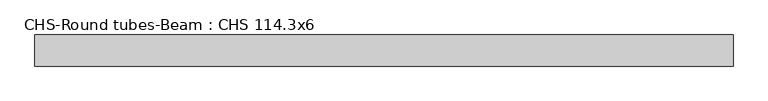
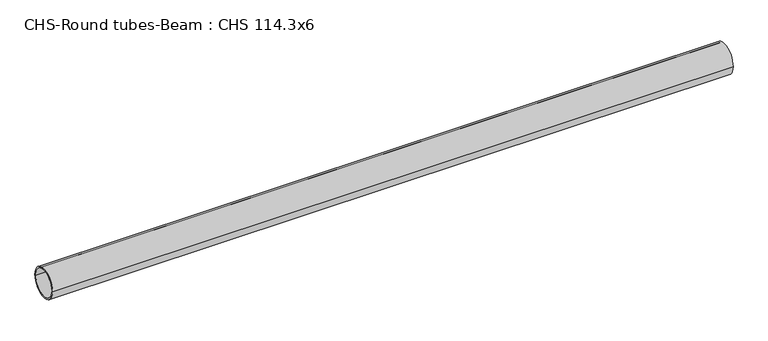
"""IFC4 building model written with IfcOpenShell, lengths in millimetres: beam geometry, CHS-Round tubes-Beam : CHS 114.3x6."""

from ifc_helpers import new_model, si_unit, point, frame, origin, origin_2d, place, context, project, spatial, circle_curve, trimmed, segment, composite_curve, outline, extrude, source, transform, mapped, element, save


def chs_round_tubes_beam_chs_114_3x6_4c7f31f5(model_context):
    return source(origin(), model_context, "Body", "SweptSolid", [
        extrude(outline(composite_curve([segment(trimmed(circle_curve(origin_2d(), 57.15), [point((57.15, 0.0))], [point((-57.15, 0.0))], False, "CARTESIAN"), True, "CONTINUOUS"), segment(trimmed(circle_curve(origin_2d(), 57.15), [point((-57.15, 0.0))], [point((57.15, 0.0))], False, "CARTESIAN"), True, "CONTINUOUS")], self_intersect=False), holes=[composite_curve([segment(trimmed(circle_curve(origin_2d(), 51.15), [point((51.15, 0.0))], [point((-51.15, 0.0))], True, "CARTESIAN"), True, "CONTINUOUS"), segment(trimmed(circle_curve(origin_2d(), 51.15), [point((-51.15, 0.0))], [point((51.15, 0.0))], True, "CARTESIAN"), True, "CONTINUOUS")], self_intersect=False)]), frame((-1117.3664908, 0.0, 0.0), z_axis=(1.0, 0.0, 0.0), x_axis=(0.0, 1.0, 0.0)), (0.0, 0.0, 1.0), 2561.9279344),
    ])


if __name__ == "__main__":
    model = new_model("IFC4")
    model_context = context("Model", 3, world=origin())
    ifc_project = project(units=[si_unit("LENGTHUNIT", "METRE", prefix="MILLI")], contexts=[model_context])
    site = spatial("IfcSite", under=ifc_project)
    building = spatial("IfcBuilding", under=site)
    placement = place(None, origin())
    chs_round_tubes_beam_chs_114_3x6_shape = chs_round_tubes_beam_chs_114_3x6_4c7f31f5(model_context)
    element("IfcBeam", 1, ObjectType="CHS-Round tubes-Beam : CHS 114.3x6", at=placement, inside=building, context=model_context, shape_type="MappedRepresentation", body=[
        mapped(chs_round_tubes_beam_chs_114_3x6_shape, transform((0.0, 0.0, 0.0), x_axis=(1.0, 0.0, 0.0), y_axis=(0.0, 1.0, 0.0), z_axis=(0.0, 0.0, 1.0))),
    ])
    save(model, "model.ifc")
